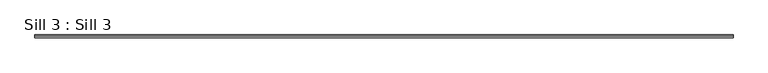
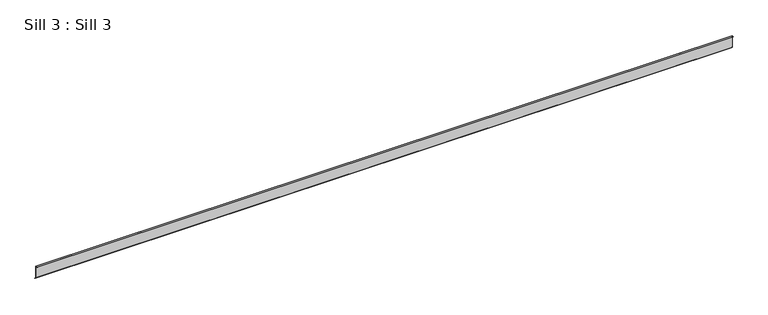
"""IFC4 building model written with IfcOpenShell, lengths in millimetres: proxy geometry, Sill 3 : Sill 3."""

from ifc_helpers import new_model, si_unit, frame, origin, place, context, project, spatial, polyline, outline, extrude, source, transform, mapped, element, save


def sill_3_sill_3_35a9cf5b(model_context):
    return source(origin(), model_context, "Body", "SweptSolid", [
        extrude(outline(polyline([(12808.9410165, -473.4890382), (12808.9410165, -555.7780834), (12817.4611326, -564.2981994), (12816.3351988, -565.4241331), (12807.3540994, -556.4430337), (12807.3540994, -475.0828794), (12796.812808, -475.0828794), (12796.812808, -473.4890382), (12808.9410165, -473.4890382)])), frame((-12015.3562657, 0.0, 0.0), z_axis=(1.0, 0.0, 0.0), x_axis=(0.0, 1.0, 0.0)), (0.0, 0.0, 1.0), 4761.6094418),
    ])


if __name__ == "__main__":
    model = new_model("IFC4")
    model_context = context("Model", 3, world=origin())
    ifc_project = project(units=[si_unit("LENGTHUNIT", "METRE", prefix="MILLI")], contexts=[model_context])
    site = spatial("IfcSite", under=ifc_project)
    building = spatial("IfcBuilding", under=site)
    placement = place(None, origin())
    sill_3_sill_3_shape = sill_3_sill_3_35a9cf5b(model_context)
    element("IfcBuildingElementProxy", 1, Name="Sill 3 : Sill 3", ObjectType="Sill 3 : Sill 3", at=placement, inside=building, context=model_context, shape_type="MappedRepresentation", body=[
        mapped(sill_3_sill_3_shape, transform((0.0, 0.0, 0.0), x_axis=(1.0, 0.0, 0.0), y_axis=(0.0, 1.0, 0.0), z_axis=(0.0, 0.0, 1.0))),
    ])
    save(model, "model.ifc")
